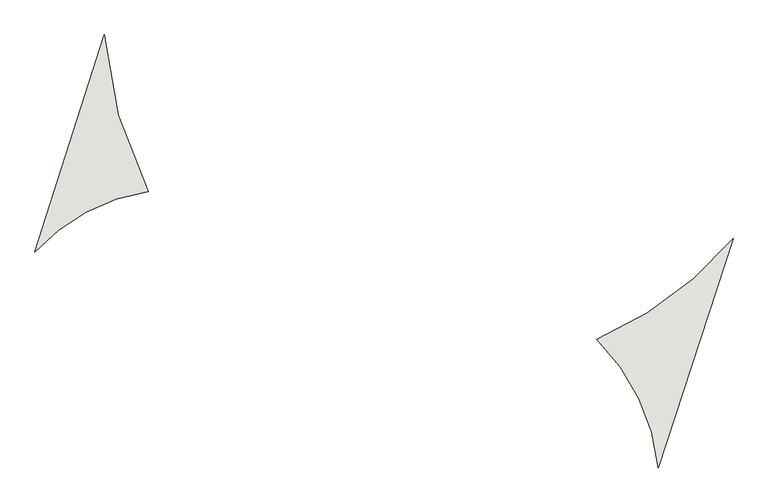
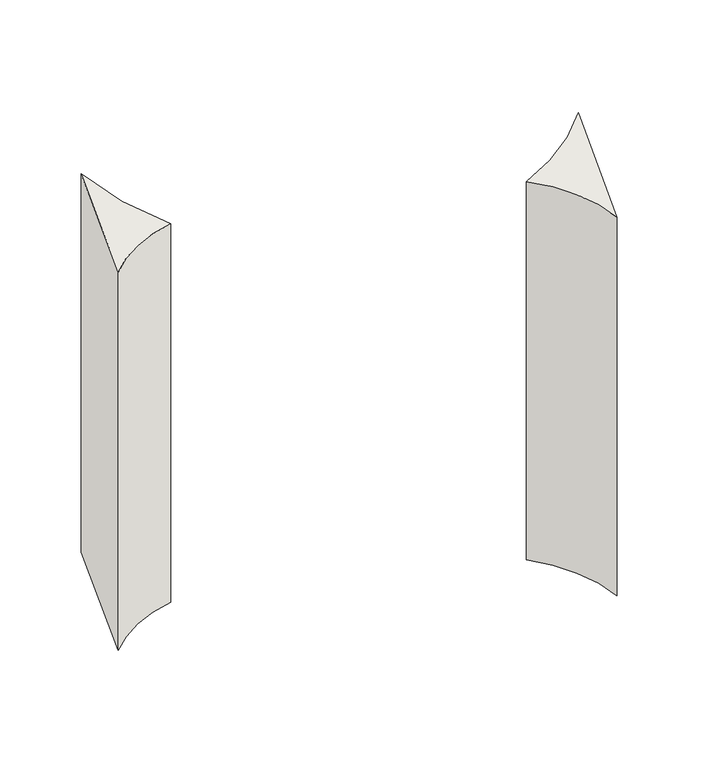
"""IFC4 building model written with IfcOpenShell, lengths in millimetres: wall geometry."""

from ifc_helpers import new_model, si_unit, frame, origin, place, context, project, spatial, polyline, circle_curve, source, transform, mapped, element, save
from ifc_brep_helpers import plane_surface, revolved_surface, advanced_brep


def wall_7790b12e(model_context):
    return source(origin(), model_context, "Body", "AdvancedBrep", [
        advanced_brep(
        [(-81517.9119346, -12669.9124513, 1939.1628178), (-82542.2247417, -13431.1761897, 1939.1628178), (-82081.5472122, -14399.0491036, 1939.1628178), (-81517.9119346, -12669.9124513, -2575.723134), (-82081.5472122, -14399.0491036, -2575.723134), (-82542.2247417, -13431.1761897, -2575.723134)],
        [
            (0, 1, circle_curve(frame((-83641.5498038, -10882.2273231, 1939.1628178), z_axis=(0.0, 0.0, -1.0), x_axis=(1.0, 0.0, 0.0)), 2775.9063235)),
            (1, 2, circle_curve(frame((-83650.1449247, -14552.0824564, 1939.1628178), z_axis=(0.0, 0.0, -1.0), x_axis=(1.0, 0.0, 0.0)), 1576.0450472)),
            (2, 0),
            (3, 4),
            (4, 5, circle_curve(frame((-83650.1449247, -14552.0824564, -2575.723134), z_axis=(0.0, 0.0, 1.0), x_axis=(1.0, 0.0, 0.0)), 1576.0450472)),
            (5, 3, circle_curve(frame((-83641.5498038, -10882.2273231, -2575.723134), z_axis=(0.0, 0.0, 1.0), x_axis=(1.0, 0.0, 0.0)), 2775.9063235)),
            (0, 3),
            (5, 1),
            (4, 2),
        ],
        [
            plane_surface(frame((-86964.4514406, -13378.7159295, 1939.1628178), z_axis=(0.0, 0.0, 1.0), x_axis=(-0.3036766834326721, -0.9527751423811038, 0.0))),
            plane_surface(frame((-86964.4514406, -13378.7159295, -2575.723134), z_axis=(0.0, 0.0, -1.0), x_axis=(0.3036766834326721, 0.9527751423811038, 0.0))),
            revolved_surface(polyline([(-80865.64348029999, -10882.2273231, -2575.723134), (-80865.64348029999, -10882.2273231, 1939.1628178)]), (-83641.5498038, -10882.2273231, -2420.5), (0.0, 0.0, -1.0)),
            revolved_surface(polyline([(-82074.0998775, -14552.0824564, -2575.723134), (-82074.0998775, -14552.0824564, 1939.1628178)]), (-83650.1449247, -14552.0824564, -2420.5), (0.0, 0.0, -1.0)),
            plane_surface(frame((-82081.5472122, -14399.0491036, 1939.1628178), z_axis=(0.9507644557868316, -0.30991442304670197, 0.0), x_axis=(0.0, 0.0, -1.0))),
        ],
        [
            (0, [[1, 2, 3]]),
            (1, [[4, 5, 6]]),
            (2, [[-1, 7, -6, 8]]),
            (3, [[-2, -8, -5, 9]]),
            (4, [[-3, -9, -4, -7]]),
        ],
    ),
        advanced_brep(
        [(-86250.1609837, -11137.6542054, 1939.1628178), (-86771.0160935, -12771.8191855, 1939.1628178), (-85920.0601586, -12316.9963008, 1939.1628178), (-86250.1609837, -11137.6542054, -2575.723134), (-85920.0601586, -12316.9963008, -2575.723134), (-86771.0160935, -12771.8191855, -2575.723134), (-86250.1609837, -11137.6542054, -2420.5), (-86771.0160935, -12771.8191855, -2420.5), (-85920.0601586, -12316.9963008, -2420.5)],
        [
            (0, 1),
            (1, 2, circle_curve(frame((-85687.0939539, -13776.3311908, 1939.1628178), z_axis=(0.0, 0.0, -1.0), x_axis=(1.0, 0.0, 0.0)), 1477.8131051)),
            (2, 0, circle_curve(frame((-83132.7947004, -10900.9645992, 1939.1628178), z_axis=(0.0, 0.0, -1.0), x_axis=(1.0, 0.0, 0.0)), 3126.3388355)),
            (3, 4, circle_curve(frame((-83132.7947004, -10900.9645992, -2575.723134), z_axis=(0.0, 0.0, 1.0), x_axis=(1.0, 0.0, 0.0)), 3126.3388355)),
            (4, 5, circle_curve(frame((-85687.0939539, -13776.3311908, -2575.723134), z_axis=(0.0, 0.0, 1.0), x_axis=(1.0, 0.0, 0.0)), 1477.8131051)),
            (5, 3),
            (0, 6),
            (6, 3),
            (5, 7),
            (7, 1),
            (4, 8),
            (8, 2),
        ],
        [
            plane_surface(frame((-86964.4514406, -13378.7159295, 1939.1628178), z_axis=(0.0, 0.0, 1.0), x_axis=(-0.3036766834326721, -0.9527751423811038, 0.0))),
            plane_surface(frame((-86964.4514406, -13378.7159295, -2575.723134), z_axis=(0.0, 0.0, -1.0), x_axis=(0.3036766834326721, 0.9527751423811038, 0.0))),
            plane_surface(frame((-86250.1609837, -11137.6542054, 1939.1628178), z_axis=(-0.9527751423811038, 0.3036766834326721, 0.0), x_axis=(0.0, 0.0, -1.0))),
            revolved_surface(polyline([(-84209.2808488, -13776.3311908, -2575.723134), (-84209.2808488, -13776.3311908, 1939.1628178)]), (-85687.0939539, -13776.3311908, -2575.723134), (0.0, 0.0, -1.0)),
            revolved_surface(polyline([(-80006.4558649, -10900.9645992, -2575.723134), (-80006.4558649, -10900.9645992, 1939.1628178)]), (-83132.7947004, -10900.9645992, -2575.723134), (0.0, 0.0, -1.0)),
        ],
        [
            (0, [[1, 2, 3]]),
            (1, [[4, 5, 6]]),
            (2, [[-1, 7, 8, -6, 9, 10]]),
            (3, [[-2, -10, -9, -5, 11, 12]]),
            (4, [[-3, -12, -11, -4, -8, -7]]),
        ],
    ),
    ])


if __name__ == "__main__":
    model = new_model("IFC4")
    model_context = context("Model", 3, world=origin())
    ifc_project = project(units=[si_unit("LENGTHUNIT", "METRE", prefix="MILLI")], contexts=[model_context])
    site = spatial("IfcSite", under=ifc_project)
    building = spatial("IfcBuilding", under=site)
    placement = place(None, origin())
    wall_shape = wall_7790b12e(model_context)
    element("IfcWall", 1, at=placement, inside=building, context=model_context, shape_type="MappedRepresentation", body=[
        mapped(wall_shape, transform((0.0, 0.0, 0.0), x_axis=(1.0, 0.0, 0.0), y_axis=(0.0, 1.0, 0.0), z_axis=(0.0, 0.0, 1.0))),
    ])
    save(model, "model.ifc")
